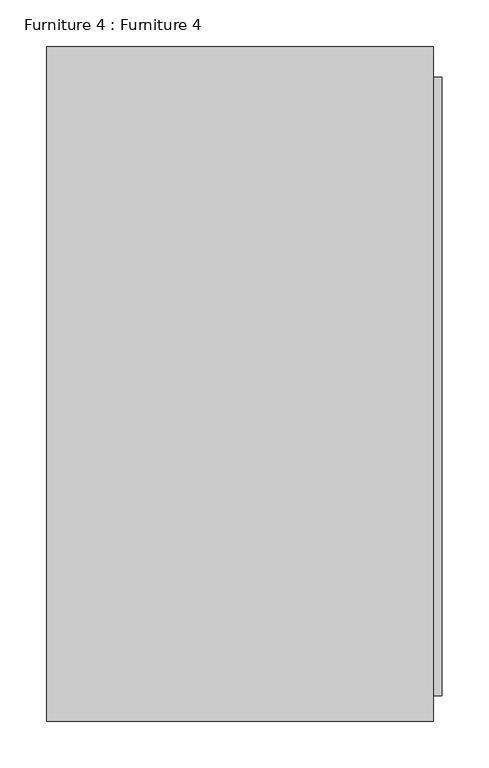
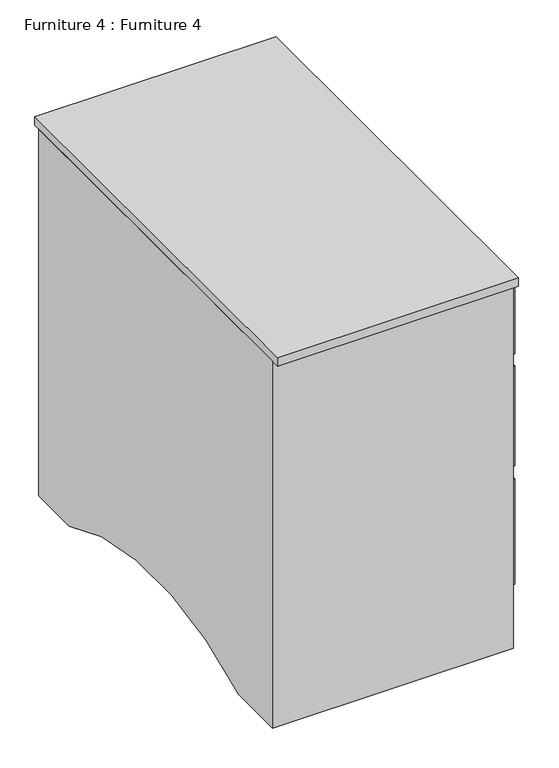
"""IFC4 building model written with IfcOpenShell, lengths in millimetres: furniture geometry, Furniture 4 : Furniture 4."""

from ifc_helpers import new_model, si_unit, point, frame, frame_2d, origin, place, context, project, spatial, polyline, circle_curve, trimmed, segment, composite_curve, outline, extrude, source, transform, mapped, element, save


def furniture_4_furniture_4_0b1d470f(model_context):
    return source(origin(), model_context, "Body", "SweptSolid", [
        extrude(outline(composite_curve([segment(polyline([(1267.2407547, 3458.1395572), (1960.4307551, 3458.1395572), (1960.4307551, 2794.0), (1869.5613324, 2794.0)]), True, "CONTINUOUS"), segment(trimmed(circle_curve(frame_2d((1618.7363324, 2316.0983971)), 539.7250436), [point((1869.5613324, 2794.0))], [point((1367.9113324, 2794.0))], True, "CARTESIAN"), True, "CONTINUOUS"), segment(polyline([(1367.9113324, 2794.0), (1267.2407547, 2794.0), (1267.2407547, 3458.1395572)]), True, "CONTINUOUS")], self_intersect=False)), frame((-3655.905065, 0.0, 0.0), z_axis=(1.0, 0.0, 0.0), x_axis=(0.0, 1.0, 0.0)), (0.0, 0.0, 1.0), 412.9680669),
        extrude(outline(polyline([(-3233.5610573, 1939.554027), (-3233.5610573, 1279.154027), (-3242.9369981, 1279.154027), (-3242.9369981, 1939.554027), (-3233.5610573, 1939.554027)])), frame((0.0, 0.0, 3316.5276148), z_axis=(0.0, 0.0, 1.0), x_axis=(1.0, 0.0, 0.0)), (0.0, 0.0, 1.0), 120.65),
        extrude(outline(polyline([(-3233.5610573, 1939.554027), (-3233.5610573, 1279.154027), (-3242.9369981, 1279.154027), (-3242.9369981, 1939.554027), (-3233.5610573, 1939.554027)])), frame((0.0, 0.0, 3113.9667738), z_axis=(0.0, 0.0, 1.0), x_axis=(1.0, 0.0, 0.0)), (0.0, 0.0, 1.0), 180.7068905),
        extrude(outline(polyline([(-3233.5610573, 1939.554027), (-3233.5610573, 1279.154027), (-3242.9369981, 1279.154027), (-3242.9369981, 1939.554027), (-3233.5610573, 1939.554027)])), frame((0.0, 0.0, 2899.1642437), z_axis=(0.0, 0.0, 1.0), x_axis=(1.0, 0.0, 0.0)), (0.0, 0.0, 1.0), 190.9355824),
        extrude(outline(polyline([(-3242.9369981, 1252.2081597), (-3655.905065, 1252.2081597), (-3655.905065, 1972.0907547), (-3242.9369981, 1972.0907547), (-3242.9369981, 1252.2081597)])), frame((0.0, 0.0, 3458.1395572), z_axis=(0.0, 0.0, 1.0), x_axis=(1.0, 0.0, 0.0)), (0.0, 0.0, 1.0), 15.7149368),
    ])


if __name__ == "__main__":
    model = new_model("IFC4")
    model_context = context("Model", 3, world=origin())
    ifc_project = project(units=[si_unit("LENGTHUNIT", "METRE", prefix="MILLI")], contexts=[model_context])
    site = spatial("IfcSite", under=ifc_project)
    building = spatial("IfcBuilding", under=site)
    placement = place(None, origin())
    furniture_4_furniture_4_shape = furniture_4_furniture_4_0b1d470f(model_context)
    element("IfcFurniture", 1, ObjectType="Furniture 4 : Furniture 4", at=placement, inside=building, context=model_context, shape_type="MappedRepresentation", body=[
        mapped(furniture_4_furniture_4_shape, transform((0.0, 0.0, 0.0), x_axis=(1.0, 0.0, 0.0), y_axis=(0.0, 1.0, 0.0), z_axis=(0.0, 0.0, 1.0))),
    ])
    save(model, "model.ifc")
